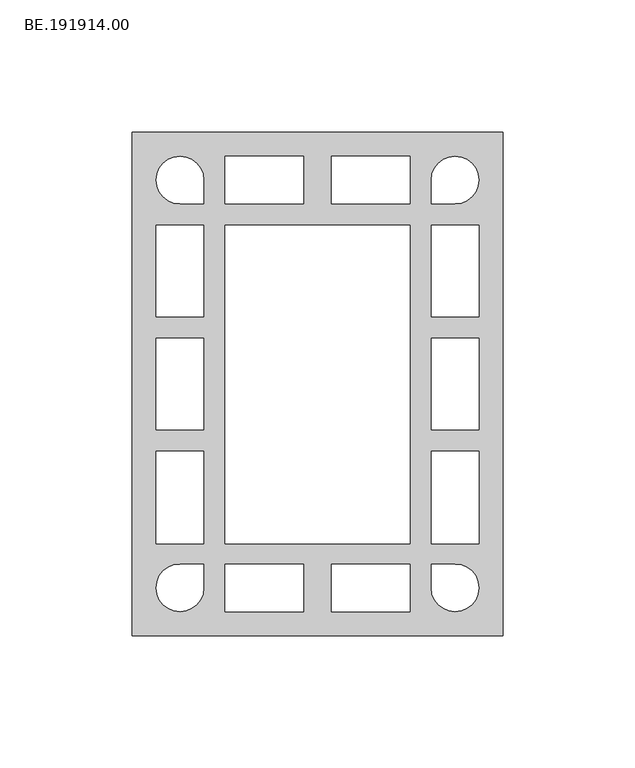
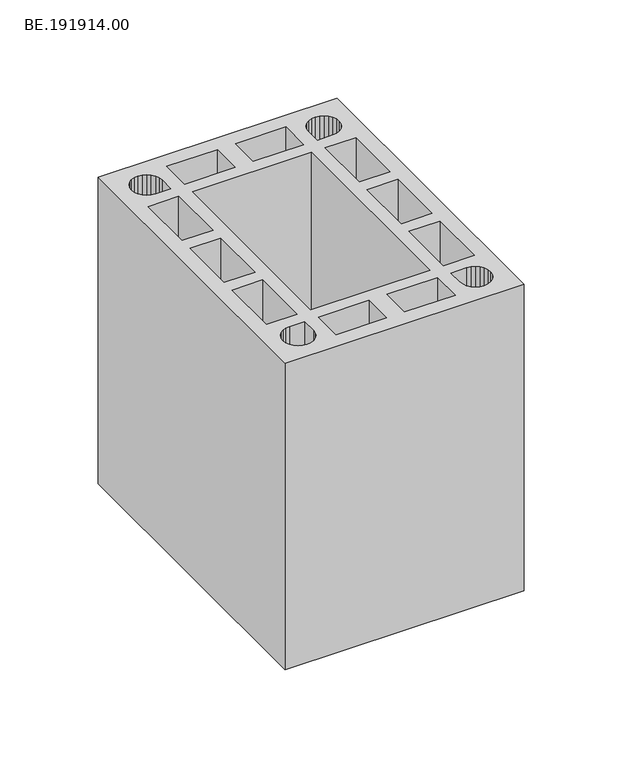
"""IFC4 building model written with IfcOpenShell, lengths in millimetres: proxy geometry, BE.191914.00."""

from ifc_helpers import new_model, si_unit, origin, origin_with_axes, place, context, project, spatial, polyline, outline, extrude, source, transform, mapped, element, save


def be_191914_00_7fda137b(model_context):
    return source(origin(), model_context, "Body", "SweptSolid", [
        extrude(outline(polyline([(145.0, 95.0050293), (145.0, -95.0050293), (5.0, -95.0050293), (5.0, 95.0050293), (145.0, 95.0050293)]), holes=[polyline([(29.352002, 83.3592285), (27.4916504, 84.7916992), (25.3150391, 85.7032715), (22.9895996, 86.0009277), (20.6641602, 85.7032715), (18.4875488, 84.7916992), (16.6271973, 83.3592285), (15.1947266, 81.498877), (14.3017578, 79.3408691), (13.985498, 76.9968262), (14.3017578, 74.6713867), (15.1947266, 72.4947754), (16.6271973, 70.6344238), (18.4875488, 69.2019531), (20.6641602, 68.3089844), (22.9895996, 68.0113281), (31.9937012, 68.0113281), (31.9937012, 76.9968262), (31.6774414, 79.3408691), (30.7844727, 81.498877), (29.352002, 83.3592285)]), polyline([(69.7402344, 86.0009277), (39.9932129, 86.0009277), (39.9932129, 68.0113281), (69.7402344, 68.0113281), (69.7402344, 86.0009277)]), polyline([(110.0, 86.0009277), (80.2529785, 86.0009277), (80.2529785, 68.0113281), (110.0, 68.0113281), (110.0, 86.0009277)]), polyline([(119.1885254, 81.498877), (118.2955566, 79.3408691), (117.9979004, 76.9968262), (117.9979004, 68.0113281), (126.9833984, 68.0113281), (129.3274414, 68.3089844), (131.4854492, 69.2019531), (133.3458008, 70.6344238), (134.7782715, 72.4947754), (135.6898438, 74.6713867), (135.9875, 76.9968262), (135.6898438, 79.3408691), (134.7782715, 81.498877), (133.3458008, 83.3592285), (131.4854492, 84.7916992), (129.3274414, 85.7032715), (126.9833984, 86.0009277), (124.657959, 85.7032715), (122.4999512, 84.7916992), (120.6209961, 83.3592285), (119.1885254, 81.498877)]), polyline([(110.0, 59.9994629), (39.9932129, 59.9994629), (39.9932129, -60.3114224), (110.0, -60.3114224), (110.0, 59.9994629)]), polyline([(117.9979004, 59.9994629), (117.9979004, 25.3225098), (135.9875, 25.3225098), (135.9875, 59.9994629), (117.9979004, 59.9994629)]), polyline([(29.352002, -83.3592285), (30.7844727, -81.498877), (31.6774414, -79.3408691), (31.9937012, -76.9968262), (31.9937012, -68.0113281), (22.9895996, -68.0113281), (20.6641602, -68.3089844), (18.4875488, -69.2019531), (16.6271973, -70.6344238), (15.1947266, -72.4947754), (14.3017578, -74.6713867), (13.985498, -76.9968262), (14.3017578, -79.3408691), (15.1947266, -81.498877), (16.6271973, -83.3592285), (18.4875488, -84.7916992), (20.6641602, -85.7032715), (22.9895996, -86.0009277), (25.3150391, -85.7032715), (27.4916504, -84.7916992), (29.352002, -83.3592285)]), polyline([(69.7402344, -86.0009277), (69.7402344, -68.0113281), (39.9932129, -68.0113281), (39.9932129, -86.0009277), (69.7402344, -86.0009277)]), polyline([(110.0, -86.0009277), (110.0, -68.0113281), (80.2529785, -68.0113281), (80.2529785, -86.0009277), (110.0, -86.0009277)]), polyline([(119.1885254, -81.498877), (120.6209961, -83.3592285), (122.4999512, -84.7916992), (124.657959, -85.7032715), (126.9833984, -86.0009277), (129.3274414, -85.7032715), (131.4854492, -84.7916992), (133.3458008, -83.3592285), (134.7782715, -81.498877), (135.6898438, -79.3408691), (135.9875, -76.9968262), (135.6898438, -74.6713867), (134.7782715, -72.4947754), (133.3458008, -70.6344238), (131.4854492, -69.2019531), (129.3274414, -68.3089844), (126.9833984, -68.0113281), (117.9979004, -68.0113281), (117.9979004, -76.9968262), (118.2955566, -79.3408691), (119.1885254, -81.498877)]), polyline([(117.9979004, -60.3300259), (135.9875, -60.3300259), (135.9875, -25.3348633), (117.9979004, -25.3348633), (117.9979004, -60.3300259)]), polyline([(32.0020996, 59.9994629), (14.0125, 59.9994629), (14.0125, 25.3225098), (32.0020996, 25.3225098), (32.0020996, 59.9994629)]), polyline([(32.0020996, -60.3300259), (32.0020996, -25.3348633), (14.0125, -25.3348633), (14.0125, -60.3300259), (32.0020996, -60.3300259)]), polyline([(14.0125, 17.322998), (14.0125, -17.3353516), (32.0030029, -17.3353516), (32.0030029, 17.322998), (14.0125, 17.322998)]), polyline([(117.9979004, 17.322998), (117.9979004, -17.3353516), (135.9875, -17.3353516), (135.9875, 17.322998), (117.9979004, 17.322998)])]), origin_with_axes(), (0.0, 0.0, 1.0), 190.0),
    ])


if __name__ == "__main__":
    model = new_model("IFC4")
    model_context = context("Model", 3, world=origin())
    ifc_project = project(units=[si_unit("LENGTHUNIT", "METRE", prefix="MILLI")], contexts=[model_context])
    site = spatial("IfcSite", under=ifc_project)
    building = spatial("IfcBuilding", under=site)
    placement = place(None, origin())
    be_191914_00_shape = be_191914_00_7fda137b(model_context)
    element("IfcBuildingElementProxy", 1, Name="BE.191914.00", ObjectType="BE.191914.00", at=placement, inside=building, context=model_context, shape_type="MappedRepresentation", body=[
        mapped(be_191914_00_shape, transform((0.0, 0.0, 0.0), x_axis=(1.0, 0.0, 0.0), y_axis=(0.0, 1.0, 0.0), z_axis=(0.0, 0.0, 1.0))),
    ])
    save(model, "model.ifc")
